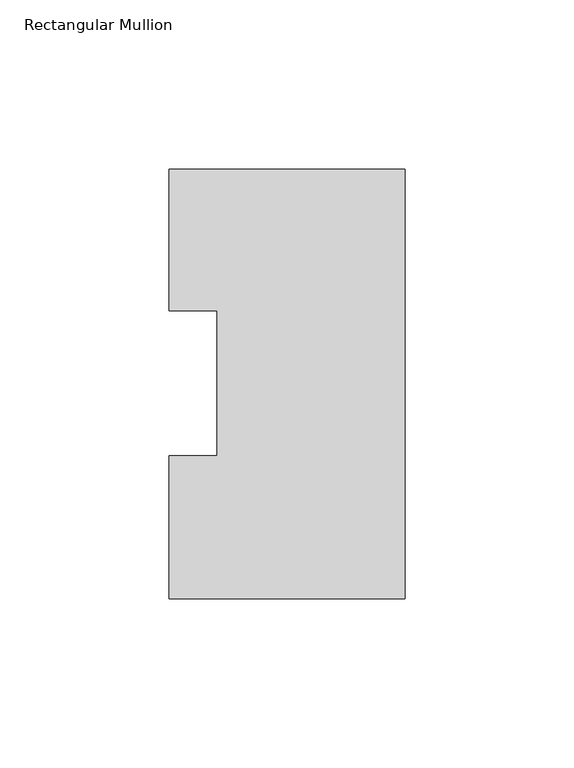
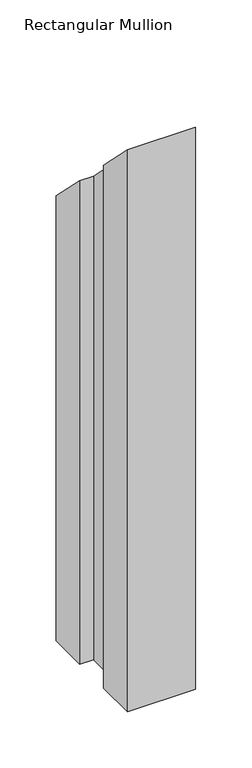
"""IFC4 building model written with IfcOpenShell, lengths in millimetres: member geometry, Rectangular Mullion."""

from ifc_helpers import new_model, si_unit, origin, place, context, project, spatial, faceted_brep, source, transform, mapped, element, save


def rectangular_mullion_0ae56980(model_context):
    return source(origin(), model_context, "Body", "Brep", [
        faceted_brep([(-69.8489149, -0.0111125, -609.6), (-69.8489149, 42.2798875, -609.6), (-55.5639549, 42.2798875, -609.6), (-55.5639549, 85.1296875, -609.6), (-69.8489149, 85.1296875, -609.6), (-69.8489149, 126.9888875, -609.6), (0.0, 126.9888875, -609.6), (0.0, -0.0111125, -609.6), (0.0, -0.0111125, 0.0111125), (-69.8489149, -0.0111125, 0.0111125), (0.0, 126.9888875, -126.9888875), (-69.8489149, 126.9888875, -126.9888875), (-69.8489149, 85.1296875, -85.1296875), (-55.5639549, 85.1296875, -85.1296875), (-55.5639549, 42.2798875, -42.2798875), (-69.8489149, 42.2798875, -42.2798875)], [[[0, 1, 2, 3, 4, 5, 6, 7]], [[8, 9, 0, 7]], [[10, 8, 7, 6]], [[11, 10, 6, 5]], [[12, 11, 5, 4]], [[13, 12, 4, 3]], [[14, 13, 3, 2]], [[15, 14, 2, 1]], [[9, 15, 1, 0]], [[9, 8, 10, 11, 12, 13, 14, 15]]]),
    ])


if __name__ == "__main__":
    model = new_model("IFC4")
    model_context = context("Model", 3, world=origin())
    ifc_project = project(units=[si_unit("LENGTHUNIT", "METRE", prefix="MILLI")], contexts=[model_context])
    site = spatial("IfcSite", under=ifc_project)
    building = spatial("IfcBuilding", under=site)
    placement = place(None, origin())
    rectangular_mullion_shape = rectangular_mullion_0ae56980(model_context)
    element("IfcMember", 1, ObjectType="Rectangular Mullion", at=placement, inside=building, context=model_context, shape_type="MappedRepresentation", body=[
        mapped(rectangular_mullion_shape, transform((0.0, 0.0, 0.0), x_axis=(1.0, 0.0, 0.0), y_axis=(0.0, 1.0, 0.0), z_axis=(0.0, 0.0, 1.0))),
    ])
    save(model, "model.ifc")
